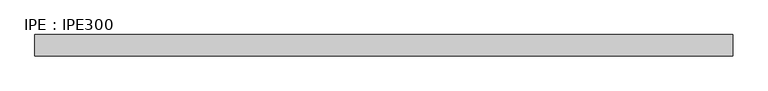
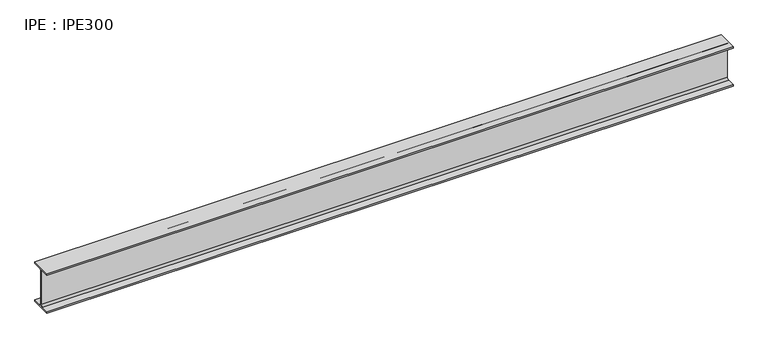
"""IFC4 building model written with IfcOpenShell, lengths in millimetres: beam geometry, IPE : IPE300."""

from ifc_helpers import new_model, si_unit, point, frame, frame_2d, origin, place, context, project, spatial, polyline, circle_curve, trimmed, segment, composite_curve, outline, extrude, source, transform, mapped, element, save


def ipe_ipe300_ffd21ac0(model_context):
    return source(origin(), model_context, "Body", "SweptSolid", [
        extrude(outline(composite_curve([segment(polyline([(75.0, -139.3), (75.0, -150.0), (-75.0, -150.0), (-75.0, -139.3), (-18.55, -139.3)]), True, "CONTINUOUS"), segment(trimmed(circle_curve(frame_2d((-18.55, -124.3)), 15.0), [point((-18.55, -139.3))], [point((-3.55, -124.3))], True, "CARTESIAN"), True, "CONTINUOUS"), segment(polyline([(-3.55, -124.3), (-3.55, 124.3)]), True, "CONTINUOUS"), segment(trimmed(circle_curve(frame_2d((-18.55, 124.3)), 15.0), [point((-3.55, 124.3))], [point((-18.55, 139.3))], True, "CARTESIAN"), True, "CONTINUOUS"), segment(polyline([(-18.55, 139.3), (-75.0, 139.3), (-75.0, 150.0), (75.0, 150.0), (75.0, 139.3), (18.55, 139.3)]), True, "CONTINUOUS"), segment(trimmed(circle_curve(frame_2d((18.55, 124.3)), 15.0), [point((18.55, 139.3))], [point((3.55, 124.3))], True, "CARTESIAN"), True, "CONTINUOUS"), segment(polyline([(3.55, 124.3), (3.55, -124.3)]), True, "CONTINUOUS"), segment(trimmed(circle_curve(frame_2d((18.55, -124.3)), 15.0), [point((3.55, -124.3))], [point((18.55, -139.3))], True, "CARTESIAN"), True, "CONTINUOUS"), segment(polyline([(18.55, -139.3), (75.0, -139.3)]), True, "CONTINUOUS")], self_intersect=False)), frame((-2430.1, 0.0, 0.0), z_axis=(1.0, 0.0, 0.0), x_axis=(0.0, 1.0, 0.0)), (0.0, 0.0, 1.0), 4930.1),
    ])


if __name__ == "__main__":
    model = new_model("IFC4")
    model_context = context("Model", 3, world=origin())
    ifc_project = project(units=[si_unit("LENGTHUNIT", "METRE", prefix="MILLI")], contexts=[model_context])
    site = spatial("IfcSite", under=ifc_project)
    building = spatial("IfcBuilding", under=site)
    placement = place(None, origin())
    ipe_ipe300_shape = ipe_ipe300_ffd21ac0(model_context)
    element("IfcBeam", 1, ObjectType="IPE : IPE300", at=placement, inside=building, context=model_context, shape_type="MappedRepresentation", body=[
        mapped(ipe_ipe300_shape, transform((0.0, 0.0, 0.0), x_axis=(1.0, 0.0, 0.0), y_axis=(0.0, 1.0, 0.0), z_axis=(0.0, 0.0, 1.0))),
    ])
    save(model, "model.ifc")
